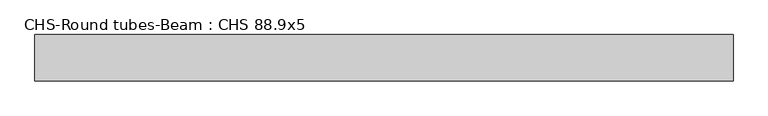
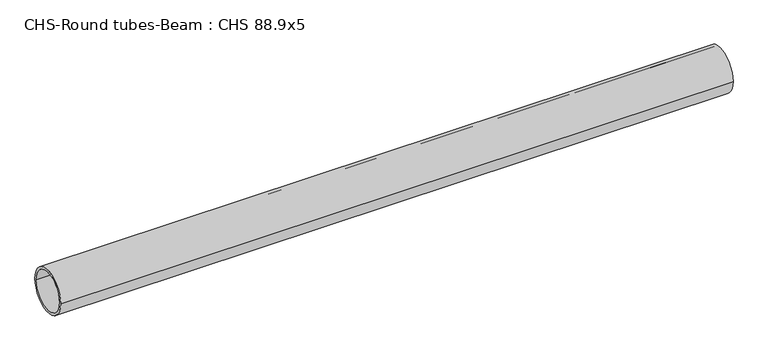
"""IFC4 building model written with IfcOpenShell, lengths in millimetres: beam geometry, CHS-Round tubes-Beam : CHS 88.9x5."""

from ifc_helpers import new_model, si_unit, point, frame, origin, origin_2d, place, context, project, spatial, circle_curve, trimmed, segment, composite_curve, outline, extrude, source, transform, mapped, element, save


def chs_round_tubes_beam_chs_88_9x5_bd35bb94(model_context):
    return source(origin(), model_context, "Body", "SweptSolid", [
        extrude(outline(composite_curve([segment(trimmed(circle_curve(origin_2d(), 44.45), [point((44.45, 0.0))], [point((-44.45, 0.0))], False, "CARTESIAN"), True, "CONTINUOUS"), segment(trimmed(circle_curve(origin_2d(), 44.45), [point((-44.45, 0.0))], [point((44.45, 0.0))], False, "CARTESIAN"), True, "CONTINUOUS")], self_intersect=False), holes=[composite_curve([segment(trimmed(circle_curve(origin_2d(), 39.45), [point((39.45, 0.0))], [point((-39.45, 0.0))], True, "CARTESIAN"), True, "CONTINUOUS"), segment(trimmed(circle_curve(origin_2d(), 39.45), [point((-39.45, 0.0))], [point((39.45, 0.0))], True, "CARTESIAN"), True, "CONTINUOUS")], self_intersect=False)]), frame((-669.4155516, 0.0, 0.0), z_axis=(1.0, 0.0, 0.0), x_axis=(0.0, 1.0, 0.0)), (0.0, 0.0, 1.0), 1338.8311032),
    ])


if __name__ == "__main__":
    model = new_model("IFC4")
    model_context = context("Model", 3, world=origin())
    ifc_project = project(units=[si_unit("LENGTHUNIT", "METRE", prefix="MILLI")], contexts=[model_context])
    site = spatial("IfcSite", under=ifc_project)
    building = spatial("IfcBuilding", under=site)
    placement = place(None, origin())
    chs_round_tubes_beam_chs_88_9x5_shape = chs_round_tubes_beam_chs_88_9x5_bd35bb94(model_context)
    element("IfcBeam", 1, ObjectType="CHS-Round tubes-Beam : CHS 88.9x5", at=placement, inside=building, context=model_context, shape_type="MappedRepresentation", body=[
        mapped(chs_round_tubes_beam_chs_88_9x5_shape, transform((0.0, 0.0, 0.0), x_axis=(1.0, 0.0, 0.0), y_axis=(0.0, 1.0, 0.0), z_axis=(0.0, 0.0, 1.0))),
    ])
    save(model, "model.ifc")
